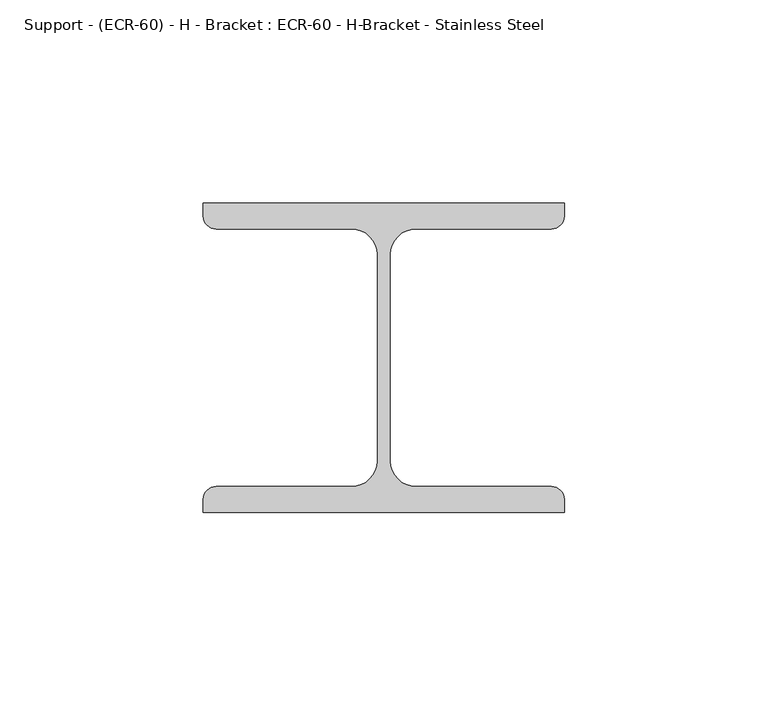
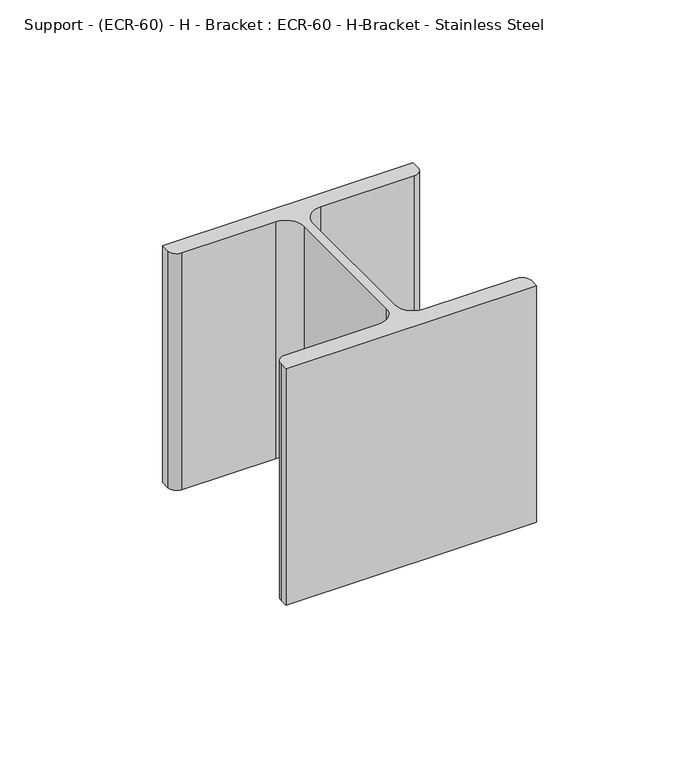
"""IFC4 building model written with IfcOpenShell, lengths in millimetres: proxy geometry, Support - (ECR-60) - H - Bracket : ECR-60 - H-Bracket - Stainless Steel."""

from ifc_helpers import new_model, si_unit, point, frame, frame_2d, origin, place, context, project, spatial, polyline, circle_curve, trimmed, segment, composite_curve, outline, extrude, source, transform, mapped, element, save


def support_ecr_60_h_bracket_ecr_60_h_bracket_stainless_steel_0484635d(model_context):
    return source(origin(), model_context, "Body", "SweptSolid", [
        extrude(outline(composite_curve([segment(polyline([(44.45, 79.2852417), (44.45, 76.1102417)]), True, "CONTINUOUS"), segment(trimmed(circle_curve(frame_2d((41.275, 76.1102417)), 3.175), [point((44.45, 76.1102417))], [point((41.275, 72.9352417))], False, "CARTESIAN"), True, "CONTINUOUS"), segment(polyline([(41.275, 72.9352417), (7.9375, 72.9352417)]), True, "CONTINUOUS"), segment(trimmed(circle_curve(frame_2d((7.9375, 66.5852417)), 6.35), [point((7.9375, 72.9352417))], [point((1.5875, 66.5852417))], True, "CARTESIAN"), True, "CONTINUOUS"), segment(polyline([(1.5875, 66.5852417), (1.5875, 15.875)]), True, "CONTINUOUS"), segment(trimmed(circle_curve(frame_2d((7.9375, 15.875)), 6.35), [point((1.5875, 15.875))], [point((7.9375, 9.525))], True, "CARTESIAN"), True, "CONTINUOUS"), segment(polyline([(7.9375, 9.525), (41.275, 9.525)]), True, "CONTINUOUS"), segment(trimmed(circle_curve(frame_2d((41.275, 6.35)), 3.175), [point((41.275, 9.525))], [point((44.45, 6.35))], False, "CARTESIAN"), True, "CONTINUOUS"), segment(polyline([(44.45, 6.35), (44.45, 3.175), (-44.45, 3.175), (-44.45, 6.35)]), True, "CONTINUOUS"), segment(trimmed(circle_curve(frame_2d((-41.275, 6.35)), 3.175), [point((-44.45, 6.35))], [point((-41.275, 9.525))], False, "CARTESIAN"), True, "CONTINUOUS"), segment(polyline([(-41.275, 9.525), (-7.9375, 9.525)]), True, "CONTINUOUS"), segment(trimmed(circle_curve(frame_2d((-7.9375, 15.875)), 6.35), [point((-7.9375, 9.525))], [point((-1.5875, 15.875))], True, "CARTESIAN"), True, "CONTINUOUS"), segment(polyline([(-1.5875, 15.875), (-1.5875, 66.5852417)]), True, "CONTINUOUS"), segment(trimmed(circle_curve(frame_2d((-7.9375, 66.5852417)), 6.35), [point((-1.5875, 66.5852417))], [point((-7.9375, 72.9352417))], True, "CARTESIAN"), True, "CONTINUOUS"), segment(polyline([(-7.9375, 72.9352417), (-41.275, 72.9352417)]), True, "CONTINUOUS"), segment(trimmed(circle_curve(frame_2d((-41.275, 76.1102417)), 3.175), [point((-41.275, 72.9352417))], [point((-44.45, 76.1102417))], False, "CARTESIAN"), True, "CONTINUOUS"), segment(polyline([(-44.45, 76.1102417), (-44.45, 79.2852417), (44.45, 79.2852417)]), True, "CONTINUOUS")], self_intersect=False)), frame((0.0, 0.0, 31.75), z_axis=(0.0, 0.0, 1.0), x_axis=(1.0, 0.0, 0.0)), (0.0, 0.0, 1.0), 88.9),
    ])


if __name__ == "__main__":
    model = new_model("IFC4")
    model_context = context("Model", 3, world=origin())
    ifc_project = project(units=[si_unit("LENGTHUNIT", "METRE", prefix="MILLI")], contexts=[model_context])
    site = spatial("IfcSite", under=ifc_project)
    building = spatial("IfcBuilding", under=site)
    placement = place(None, origin())
    support_ecr_60_h_bracket_ecr_60_h_bracket_stainless_steel_shape = support_ecr_60_h_bracket_ecr_60_h_bracket_stainless_steel_0484635d(model_context)
    element("IfcBuildingElementProxy", 1, Name="Support - (ECR-60) - H - Bracket : ECR-60 - H-Bracket - Stainless Steel", ObjectType="Support - (ECR-60) - H - Bracket : ECR-60 - H-Bracket - Stainless Steel", at=placement, inside=building, context=model_context, shape_type="MappedRepresentation", body=[
        mapped(support_ecr_60_h_bracket_ecr_60_h_bracket_stainless_steel_shape, transform((0.0, 0.0, 0.0), x_axis=(1.0, 0.0, 0.0), y_axis=(0.0, 1.0, 0.0), z_axis=(0.0, 0.0, 1.0))),
    ])
    save(model, "model.ifc")
